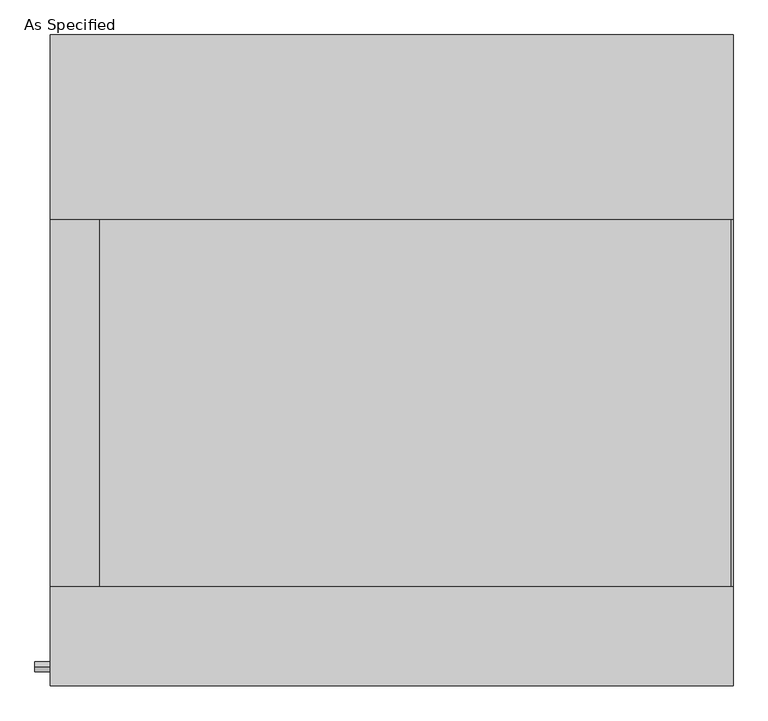
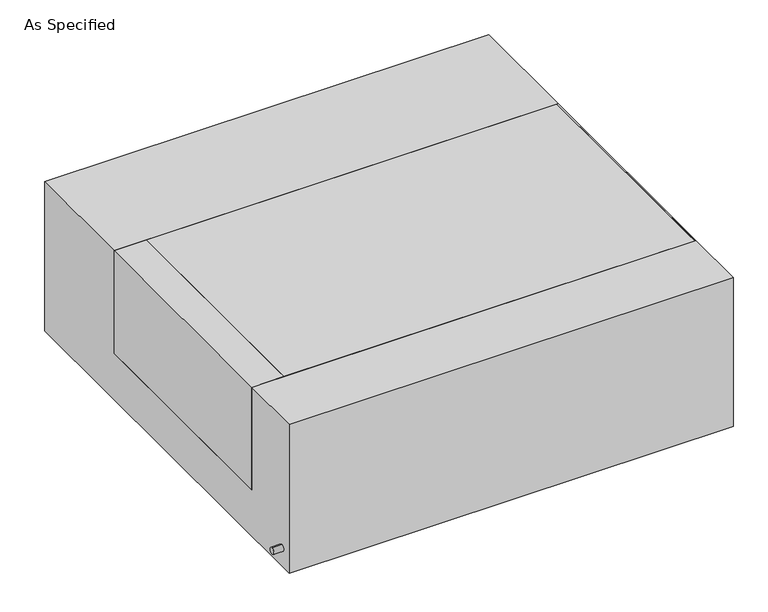
"""IFC4 building model written with IfcOpenShell, lengths in millimetres: proxy geometry, As Specified."""

from ifc_helpers import new_model, si_unit, point, frame, frame_2d, origin, place, context, project, spatial, polyline, circle_curve, trimmed, segment, composite_curve, outline, extrude, source, transform, mapped, element, save


def as_specified_c905b436(model_context):
    return source(origin(), model_context, "Body", "SweptSolid", [
        extrude(outline(composite_curve([segment(trimmed(circle_curve(frame_2d((-636.5875, -466.725)), 10.5), [point((-636.5875, -456.225))], [point((-636.5875, -477.225))], False, "CARTESIAN"), True, "CONTINUOUS"), segment(trimmed(circle_curve(frame_2d((-636.5875, -466.725)), 10.5), [point((-636.5875, -477.225))], [point((-636.5875, -456.225))], False, "CARTESIAN"), True, "CONTINUOUS")], self_intersect=False)), frame((-741.4528384, 0.0, 0.0), z_axis=(1.0, 0.0, 0.0), x_axis=(0.0, 1.0, 0.0)), (0.0, 0.0, 1.0), 31.8403384),
        extrude(outline(polyline([(-607.21875, 292.1), (-607.21875, -469.9), (-709.6125, -469.9), (-709.6125, 292.1), (-607.21875, 292.1)])), frame((0.0, 0.0, -373.0625), z_axis=(0.0, 0.0, 1.0), x_axis=(1.0, 0.0, 0.0)), (0.0, 0.0, 1.0), 347.6625),
        extrude(outline(polyline([(705.64375, 292.1), (709.6125, 292.1), (709.6125, -469.9), (705.64375, -469.9), (705.64375, 292.1)])), frame((0.0, 0.0, -39.6875), z_axis=(0.0, 0.0, 1.0), x_axis=(1.0, 0.0, 0.0)), (0.0, 0.0, 1.0), 14.2875),
        extrude(outline(polyline([(709.6125, 292.1), (709.6125, -469.9), (-607.21875, -469.9), (-607.21875, 292.1), (709.6125, 292.1)])), frame((0.0, 0.0, -373.0625), z_axis=(0.0, 0.0, 1.0), x_axis=(1.0, 0.0, 0.0)), (0.0, 0.0, 1.0), 347.6625),
        extrude(outline(polyline([(676.275, -25.4), (676.275, -530.225), (-676.275, -530.225), (-676.275, -25.4), (-469.9, -25.4), (-469.9, -373.0625), (292.1, -373.0625), (292.1, -25.4), (676.275, -25.4)])), frame((-709.6125, 0.0, 0.0), z_axis=(1.0, 0.0, 0.0), x_axis=(0.0, 1.0, 0.0)), (0.0, 0.0, 1.0), 1419.225),
    ])


if __name__ == "__main__":
    model = new_model("IFC4")
    model_context = context("Model", 3, world=origin())
    ifc_project = project(units=[si_unit("LENGTHUNIT", "METRE", prefix="MILLI")], contexts=[model_context])
    site = spatial("IfcSite", under=ifc_project)
    building = spatial("IfcBuilding", under=site)
    placement = place(None, origin())
    as_specified_shape = as_specified_c905b436(model_context)
    element("IfcBuildingElementProxy", 1, Name="As Specified", ObjectType="As Specified", at=placement, inside=building, context=model_context, shape_type="MappedRepresentation", body=[
        mapped(as_specified_shape, transform((0.0, 0.0, 0.0), x_axis=(1.0, 0.0, 0.0), y_axis=(0.0, 1.0, 0.0), z_axis=(0.0, 0.0, 1.0))),
    ])
    save(model, "model.ifc")
